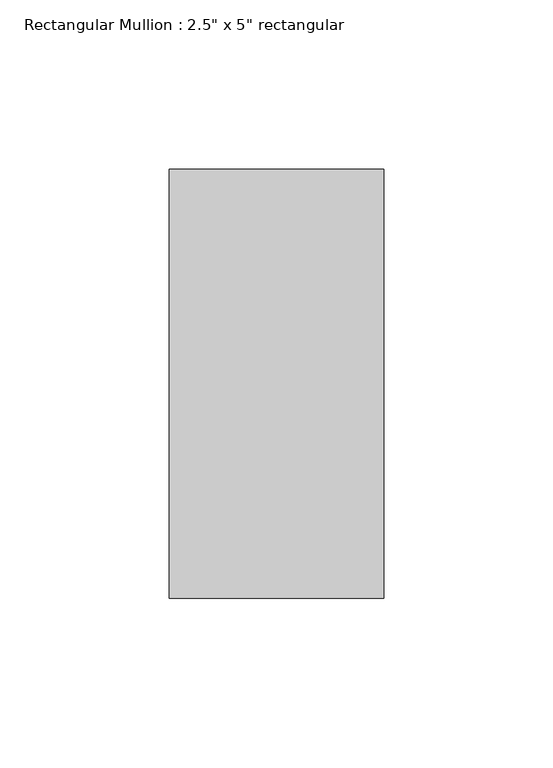
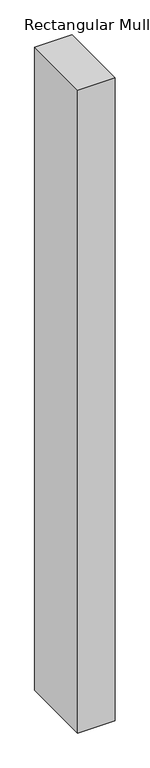
"""IFC4 building model written with IfcOpenShell, lengths in millimetres: member geometry."""

from ifc_helpers import new_model, si_unit, frame, origin, place, context, project, spatial, polyline, outline, extrude, source, transform, mapped, element, save


def member_83ed929f(model_context):
    return source(origin(), model_context, "Body", "SweptSolid", [
        extrude(outline(polyline([(0.0, 63.5), (0.0, -63.5), (-63.5, -63.5), (-63.5, 63.5), (0.0, 63.5)])), frame((0.0, 0.0, -1157.4458333), z_axis=(0.0, 0.0, 1.0), x_axis=(1.0, 0.0, 0.0)), (0.0, 0.0, 1.0), 1157.4458333),
    ])


if __name__ == "__main__":
    model = new_model("IFC4")
    model_context = context("Model", 3, world=origin())
    ifc_project = project(units=[si_unit("LENGTHUNIT", "METRE", prefix="MILLI")], contexts=[model_context])
    site = spatial("IfcSite", under=ifc_project)
    building = spatial("IfcBuilding", under=site)
    placement = place(None, origin())
    member_shape = member_83ed929f(model_context)
    element("IfcMember", 1, ObjectType="Rectangular Mullion : 2.5\" x 5\" rectangular", at=placement, inside=building, context=model_context, shape_type="MappedRepresentation", body=[
        mapped(member_shape, transform((0.0, 0.0, 0.0), x_axis=(1.0, 0.0, 0.0), y_axis=(0.0, 1.0, 0.0), z_axis=(0.0, 0.0, 1.0))),
    ])
    save(model, "model.ifc")
